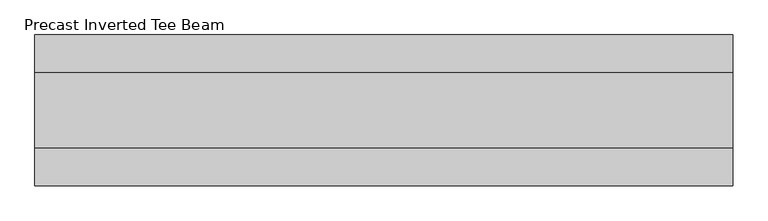
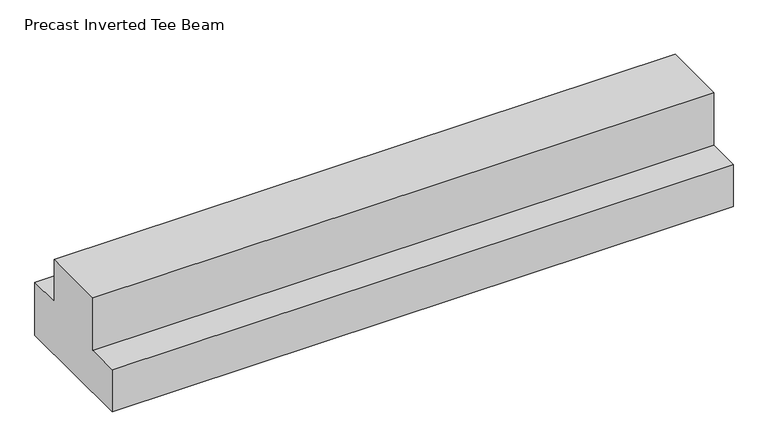
"""IFC4 building model written with IfcOpenShell, lengths in millimetres: beam geometry, Precast Inverted Tee Beam."""

from ifc_helpers import new_model, si_unit, frame, origin, place, context, project, spatial, polyline, outline, extrude, source, transform, mapped, element, save


def precast_inverted_tee_beam_1a250001(model_context):
    return source(origin(), model_context, "Body", "SweptSolid", [
        extrude(outline(polyline([(150.0, 25.0), (300.0, 25.0), (300.0, -225.0), (-300.0, -225.0), (-300.0, -25.0), (-150.0, -25.0), (-150.0, 225.0), (150.0, 225.0), (150.0, 25.0)])), frame((-1380.1390082, 0.0, 0.0), z_axis=(1.0, 0.0, 0.0), x_axis=(0.0, 1.0, 0.0)), (0.0, 0.0, 1.0), 2780.1390082),
    ])


if __name__ == "__main__":
    model = new_model("IFC4")
    model_context = context("Model", 3, world=origin())
    ifc_project = project(units=[si_unit("LENGTHUNIT", "METRE", prefix="MILLI")], contexts=[model_context])
    site = spatial("IfcSite", under=ifc_project)
    building = spatial("IfcBuilding", under=site)
    placement = place(None, origin())
    precast_inverted_tee_beam_shape = precast_inverted_tee_beam_1a250001(model_context)
    element("IfcBeam", 1, ObjectType="Precast Inverted Tee Beam", at=placement, inside=building, context=model_context, shape_type="MappedRepresentation", body=[
        mapped(precast_inverted_tee_beam_shape, transform((0.0, 0.0, 0.0), x_axis=(1.0, 0.0, 0.0), y_axis=(0.0, 1.0, 0.0), z_axis=(0.0, 0.0, 1.0))),
    ])
    save(model, "model.ifc")
